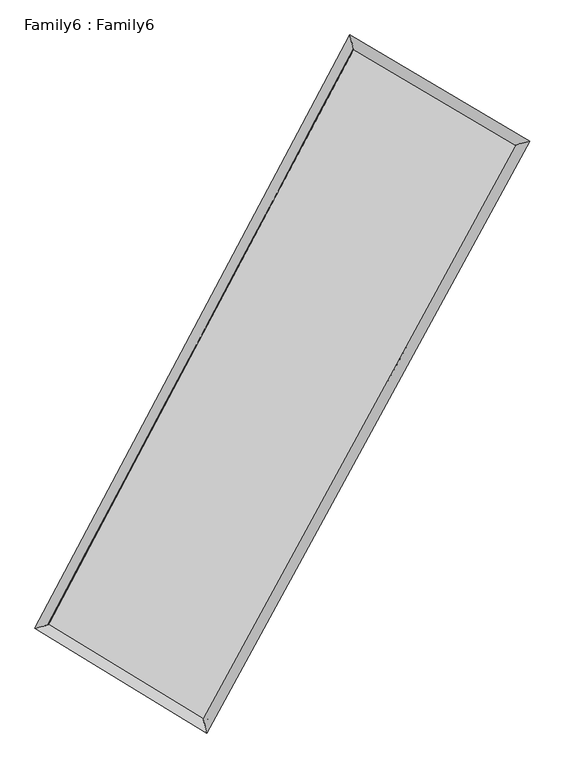
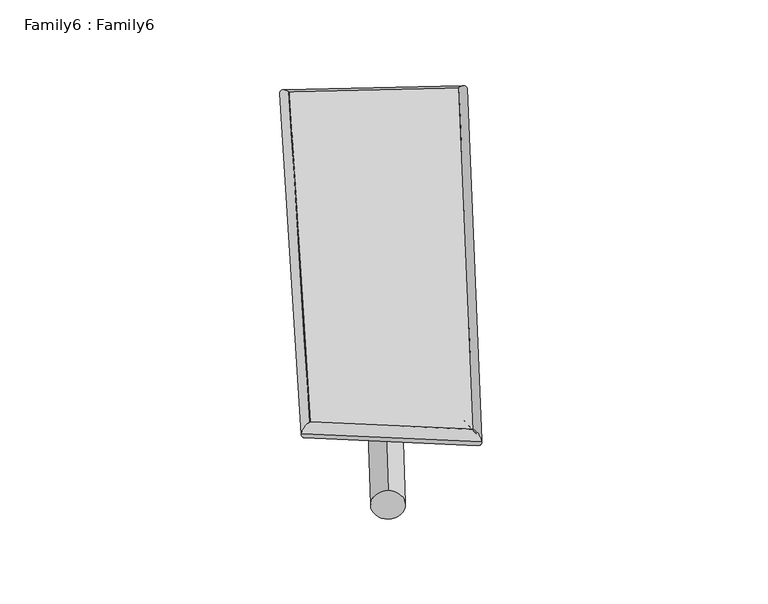
"""IFC4 building model written with IfcOpenShell, lengths in millimetres: plate geometry, Family6 : Family6."""

from ifc_helpers import new_model, si_unit, point, frame, origin, origin_2d, place, context, project, spatial, circle_curve, ellipse_curve, trimmed, segment, composite_curve, outline, extrude, source, transform, mapped, element, save
from ifc_brep_helpers import plane_surface, cylinder_surface, spline_surface, advanced_brep


def family6_family6_6582b816(model_context):
    return source(origin(), model_context, "Body", "SolidModel", [
        extrude(outline(composite_curve([segment(trimmed(circle_curve(origin_2d(), 76.2), [point((-75.4341514, -10.7763073))], [point((75.4341514, 10.7763073))], False, "CARTESIAN"), True, "CONTINUOUS"), segment(trimmed(circle_curve(origin_2d(), 76.2), [point((75.4341514, 10.7763073))], [point((-75.4341514, -10.7763073))], False, "CARTESIAN"), True, "CONTINUOUS")], self_intersect=False)), frame((9144.0, 9144.0, 0.0), z_axis=(0.673399157261123, 0.6819663851143064, 0.28540396734126694), x_axis=(-0.6754645383187033, 0.724479215659855, -0.13739550047502452)), (0.0, 0.0, 1.0), 5518.379591),
        extrude(outline(composite_curve([segment(trimmed(circle_curve(origin_2d(), 76.2), [point((-53.8815368, 53.8815367))], [point((53.8815368, -53.8815367))], False, "CARTESIAN"), True, "CONTINUOUS"), segment(trimmed(circle_curve(origin_2d(), 76.2), [point((53.8815368, -53.8815367))], [point((-53.8815368, 53.8815367))], False, "CARTESIAN"), True, "CONTINUOUS")], self_intersect=False)), frame((9144.0, 9144.0, 0.0), z_axis=(-0.6656004861115856, -0.6887570328878952, 0.2873843115681225), x_axis=(0.6516299577048046, -0.34863139997688186, 0.6736724316548764)), (0.0, 0.0, 1.0), 5485.901085),
        extrude(outline(composite_curve([segment(trimmed(circle_curve(origin_2d(), 76.2), [point((-53.8815367, -53.8815367))], [point((53.8815367, 53.8815367))], False, "CARTESIAN"), True, "CONTINUOUS"), segment(trimmed(circle_curve(origin_2d(), 76.2), [point((53.8815367, 53.8815367))], [point((-53.8815367, -53.8815367))], False, "CARTESIAN"), True, "CONTINUOUS")], self_intersect=False)), frame((9144.0, 9144.0, 0.0), z_axis=(0.2060802495332024, 0.9426772920735856, 0.2624699102014268), x_axis=(-0.8494921449883455, 0.3054807265166597, -0.4301681314671667)), (0.0, 0.0, 1.0), 5598.7962392),
        extrude(outline(composite_curve([segment(trimmed(circle_curve(origin_2d(), 76.2), [point((-75.4341514, 10.7763074))], [point((75.4341514, -10.7763074))], False, "CARTESIAN"), True, "CONTINUOUS"), segment(trimmed(circle_curve(origin_2d(), 76.2), [point((75.4341514, -10.7763074))], [point((-75.4341514, 10.7763074))], False, "CARTESIAN"), True, "CONTINUOUS")], self_intersect=False)), frame((9144.0, 9144.0, 0.0), z_axis=(-0.2161778514262675, -0.9405182460204905, 0.26209266577922985), x_axis=(0.8958578989900415, -0.084339998941824, 0.43626298192219104)), (0.0, 0.0, 1.0), 5600.1402863),
        advanced_brep(
        [(5291.0841959, 5310.4852973, 1569.9873987), (5290.8816734, 5310.1144328, 1586.0324561), (5694.0789462, 5420.6087947, 1583.1364145), (10357.4712022, 14209.6200962, 1479.2495594), (10238.1314499, 14634.0960591, 1459.7815329), (5694.2814688, 5420.9796592, 1567.0913572), (12655.7937782, 12851.1261095, 1573.8384835), (13064.3505538, 12963.5726532, 1576.0963736), (7876.1596666, 4090.3039554, 1469.8270738), (7990.5877438, 3663.6278055, 1465.684319)],
        [
            (0, 1, ellipse_curve(frame((5492.5815711, 5365.547046, 1576.5619066), z_axis=(-0.26412633767362614, 0.9643018129296901, 0.01895498160458978), x_axis=(-0.9636954374127227, -0.26465490745271464, 0.03533955108792444)), 209.4018373, 152.4)),
            (1, 2, ellipse_curve(frame((5492.5815711, 5365.547046, 1576.5619066), z_axis=(-0.26412633767362614, 0.9643018129296901, 0.01895498160458978), x_axis=(-0.9636954374127227, -0.26465490745271464, 0.03533955108792444)), 209.4018373, 152.4)),
            (2, 3),
            (3, 4, ellipse_curve(frame((10297.8013261, 14421.8580776, 1469.5155461), z_axis=(-0.962303363688109, -0.2713769240740941, -0.01807764682237857), x_axis=(0.27073335774254376, -0.962132515874966, 0.031693388925078336)), 220.6999242, 152.4)),
            (4, 0),
            (2, 5, ellipse_curve(frame((5492.5815711, 5365.547046, 1576.5619066), z_axis=(-0.26412633767362614, 0.9643018129296901, 0.01895498160458978), x_axis=(-0.9636954374127227, -0.26465490745271464, 0.03533955108792444)), 209.4018373, 152.4)),
            (5, 0, ellipse_curve(frame((5492.5815711, 5365.547046, 1576.5619066), z_axis=(-0.26412633767362614, 0.9643018129296901, 0.01895498160458978), x_axis=(-0.9636954374127227, -0.26465490745271464, 0.03533955108792444)), 209.4018373, 152.4)),
            (4, 3, ellipse_curve(frame((10297.8013261, 14421.8580776, 1469.5155461), z_axis=(-0.962303363688109, -0.2713769240740941, -0.01807764682237857), x_axis=(0.27073335774254376, -0.962132515874966, 0.031693388925078336)), 220.6999242, 152.4)),
            (3, 6),
            (6, 7, ellipse_curve(frame((12860.072166, 12907.3493814, 1574.9674286), z_axis=(-0.26523214467351114, 0.9640280265098747, -0.017374508205004812), x_axis=(-0.9634972044143628, -0.26568033353594506, -0.03297116100377328)), 211.9529502, 152.4)),
            (7, 4),
            (7, 6, ellipse_curve(frame((12860.072166, 12907.3493814, 1574.9674286), z_axis=(-0.26523214467351114, 0.9640280265098747, -0.017374508205004812), x_axis=(-0.9634972044143628, -0.26568033353594506, -0.03297116100377328)), 211.9529502, 152.4)),
            (6, 8),
            (8, 9, ellipse_curve(frame((7933.3737052, 3876.9658804, 1467.7556964), z_axis=(0.9656267831865717, 0.25916080106836215, -0.020014864035467095), x_axis=(-0.25842062543765204, 0.9654528996617561, 0.033458614482967206)), 220.9571788, 152.4)),
            (9, 7),
            (9, 8, ellipse_curve(frame((7933.3737052, 3876.9658804, 1467.7556964), z_axis=(0.9656267831865717, 0.25916080106836215, -0.020014864035467095), x_axis=(-0.25842062543765204, 0.9654528996617561, 0.033458614482967206)), 220.9571788, 152.4)),
            (8, 5),
            (1, 9),
        ],
        [
            cylinder_surface(frame((5492.5815711, 5365.547046, 1576.5619066), z_axis=(-0.4686773380030605, -0.8833077284417741, 0.01044077187752323), x_axis=(-0.8823762176536714, 0.4675573652104539, -0.052936950768429566)), 152.4),
            cylinder_surface(frame((10297.8013261, 14421.8580776, 1469.5155461), z_axis=(-0.8603220548882203, 0.5085197136135652, -0.035407100125369705), x_axis=(0.5094729969840315, 0.8600695114796884, -0.02678993779760057)), 152.4),
            cylinder_surface(frame((12860.072166, 12907.3493814, 1574.9674286), z_axis=(0.478903642742474, 0.8778056112749905, 0.010421601706527365), x_axis=(0.8778634499466171, -0.47890364274247393, -0.0026578592536415087)), 152.4),
            cylinder_surface(frame((7933.3737052, 3876.9658804, 1467.7556964), z_axis=(0.8531329318241097, -0.5203055173175372, -0.03803116204022033), x_axis=(-0.5196468727464333, -0.8539759802508032, 0.026308796998952038)), 152.4),
        ],
        [
            (0, [[1, 2, 3, 4, 5]]),
            (0, [[6, 7, -5, 8, -3]]),
            (1, [[-4, 9, 10, 11]]),
            (1, [[-8, -11, 12, -9]]),
            (2, [[-10, 13, 14, 15]]),
            (2, [[-12, -15, 16, -13]]),
            (3, [[-14, 17, -6, -2, 18]]),
            (3, [[-16, -18, -1, -7, -17]]),
        ],
    ),
        extrude(outline(composite_curve([segment(trimmed(circle_curve(origin_2d(), 304.8), [point((0.0, 304.8))], [point((0.0, -304.8))], False, "CARTESIAN"), True, "CONTINUOUS"), segment(trimmed(circle_curve(origin_2d(), 304.8), [point((0.0, -304.8))], [point((0.0, 304.8))], False, "CARTESIAN"), True, "CONTINUOUS")], self_intersect=False)), frame((11634.7386971, 13653.2037478, -0.110042), z_axis=(-0.48350918608444876, -0.8753392865144541, 2.1361658394249504e-05), x_axis=(-0.8753392867577809, 0.4835091860844487, -5.507567690758767e-06)), (0.0, 0.0, 1.0), 10302.7564677),
        advanced_brep(
        [(5492.5815711, 5365.547046, 1576.5619066), (7933.3737052, 3876.9658804, 1467.7556964), (7933.3477363, 3876.9749144, 1620.1556939), (5492.5556022, 5365.55608, 1728.9619042), (12860.072166, 12907.3493814, 1574.9674286), (12860.0461971, 12907.3584154, 1727.3674261), (10297.8013261, 14421.8580776, 1469.5155461), (10297.7753571, 14421.8671116, 1621.9155437)],
        [
            (0, 1),
            (1, 2),
            (2, 3),
            (3, 0),
            (1, 4),
            (4, 5),
            (5, 2),
            (4, 6),
            (6, 7),
            (7, 5),
            (6, 0),
            (3, 7),
        ],
        [
            plane_surface(frame((6712.9776381, 4621.2564632, 1522.1588015), z_axis=(-0.5206834410407228, -0.8537498186080046, -3.811549972370515e-05), x_axis=(0.8531329318241093, -0.5203055173175373, -0.03803116204022029))),
            plane_surface(frame((10396.7229356, 8392.1576309, 1521.3615625), z_axis=(0.8778523820272918, -0.47893127241135763, 0.00017797597576023946), x_axis=(0.47890364274247404, 0.8778056112749903, 0.010421601706527376))),
            plane_surface(frame((11578.936746, 13664.6037295, 1522.2414874), z_axis=(0.5088376813314802, 0.8608624819240713, 3.567535978139802e-05), x_axis=(-0.86032205488822, 0.5085197136135656, -0.035407100125369705))),
            plane_surface(frame((7895.1914486, 9893.7025618, 1523.0387264), z_axis=(-0.8833567355138598, 0.46870123322723733, -0.0001783074970414392), x_axis=(-0.4686773380030608, -0.8833077284417737, 0.01044077187752321))),
            spline_surface(1, 1, [[(7933.3477363, 3876.9749144, 1620.1556939), (5492.5556022, 5365.55608, 1728.9619042)], [(12860.0461971, 12907.3584154, 1727.3674261), (10297.7753571, 14421.8671116, 1621.9155437)]], [2, 2], [2, 2], [0.0, 1.0], [0.0, 1.0]),
            spline_surface(1, 1, [[(10297.8013261, 14421.8580776, 1469.5155461), (5492.5815711, 5365.547046, 1576.5619066)], [(12860.072166, 12907.3493814, 1574.9674286), (7933.3737052, 3876.9658804, 1467.7556964)]], [2, 2], [2, 2], [0.0, 1.0], [0.0, 1.0]),
        ],
        [
            (0, [[1, 2, 3, 4]]),
            (1, [[5, 6, 7, -2]]),
            (2, [[8, 9, 10, -6]]),
            (3, [[11, -4, 12, -9]]),
            (4, [[-3, -7, -10, -12]]),
            (5, [[-11, -8, -5, -1]]),
        ],
    ),
    ])


if __name__ == "__main__":
    model = new_model("IFC4")
    model_context = context("Model", 3, world=origin())
    ifc_project = project(units=[si_unit("LENGTHUNIT", "METRE", prefix="MILLI")], contexts=[model_context])
    site = spatial("IfcSite", under=ifc_project)
    building = spatial("IfcBuilding", under=site)
    placement = place(None, origin())
    family6_family6_shape = family6_family6_6582b816(model_context)
    element("IfcPlate", 1, ObjectType="Family6 : Family6", at=placement, inside=building, context=model_context, shape_type="MappedRepresentation", body=[
        mapped(family6_family6_shape, transform((0.0, 0.0, 0.0), x_axis=(1.0, 0.0, 0.0), y_axis=(0.0, 1.0, 0.0), z_axis=(0.0, 0.0, 1.0))),
    ])
    save(model, "model.ifc")
